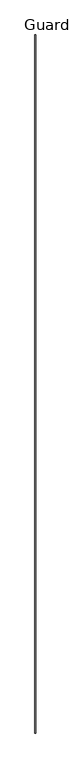
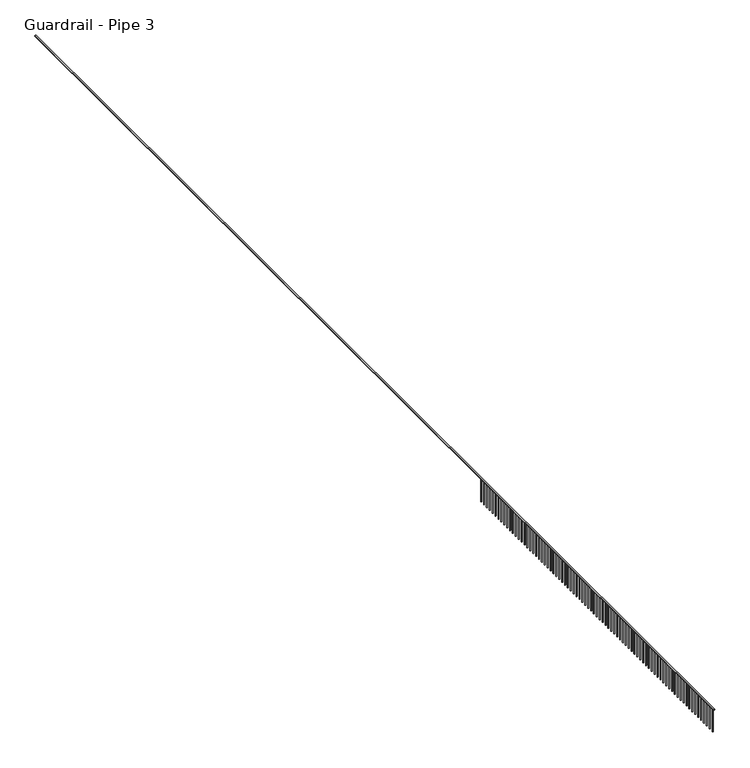
"""IFC4 building model written with IfcOpenShell, lengths in millimetres: railing geometry, Guardrail - Pipe 3."""

from ifc_helpers import new_model, si_unit, point, frame, frame_2d, origin, place, context, project, spatial, circle_curve, trimmed, segment, composite_curve, outline, extrude, source, transform, mapped, element, save


def guardrail_pipe_3_f929ef6f(model_context):
    return source(origin(), model_context, "Body", "SweptSolid", [
        extrude(outline(composite_curve([segment(trimmed(circle_curve(frame_2d((5010.15, 267300.2280266)), 19.05), [point((5010.15, 267319.2780266))], [point((5010.15, 267281.1780266))], False, "CARTESIAN"), True, "CONTINUOUS"), segment(trimmed(circle_curve(frame_2d((5010.15, 267300.2280266)), 19.05), [point((5010.15, 267281.1780266))], [point((5010.15, 267319.2780266))], False, "CARTESIAN"), True, "CONTINUOUS")], self_intersect=False)), frame((0.0, -557110.8424218, 0.0), z_axis=(0.0, 1.0, 0.0), x_axis=(0.0, 0.0, 1.0)), (0.0, 0.0, 1.0), 35737.8),
        extrude(outline(composite_curve([segment(trimmed(circle_curve(frame_2d((267300.2280266, -557034.6424218)), 12.7), [point((267312.9280266, -557034.6424218))], [point((267287.5280266, -557034.6424218))], False, "CARTESIAN"), True, "CONTINUOUS"), segment(trimmed(circle_curve(frame_2d((267300.2280266, -557034.6424218)), 12.7), [point((267287.5280266, -557034.6424218))], [point((267312.9280266, -557034.6424218))], False, "CARTESIAN"), True, "CONTINUOUS")], self_intersect=False)), frame((0.0, 0.0, 4267.2), z_axis=(0.0, 0.0, 1.0), x_axis=(1.0, 0.0, 0.0)), (0.0, 0.0, 1.0), 723.9),
        extrude(outline(composite_curve([segment(trimmed(circle_curve(frame_2d((267300.2280266, -556882.2424218)), 12.7), [point((267312.9280266, -556882.2424218))], [point((267287.5280266, -556882.2424218))], False, "CARTESIAN"), True, "CONTINUOUS"), segment(trimmed(circle_curve(frame_2d((267300.2280266, -556882.2424218)), 12.7), [point((267287.5280266, -556882.2424218))], [point((267312.9280266, -556882.2424218))], False, "CARTESIAN"), True, "CONTINUOUS")], self_intersect=False)), frame((0.0, 0.0, 4267.2), z_axis=(0.0, 0.0, 1.0), x_axis=(1.0, 0.0, 0.0)), (0.0, 0.0, 1.0), 723.9),
        extrude(outline(composite_curve([segment(trimmed(circle_curve(frame_2d((267300.2280266, -556729.8424218)), 12.7), [point((267312.9280266, -556729.8424218))], [point((267287.5280266, -556729.8424218))], False, "CARTESIAN"), True, "CONTINUOUS"), segment(trimmed(circle_curve(frame_2d((267300.2280266, -556729.8424218)), 12.7), [point((267287.5280266, -556729.8424218))], [point((267312.9280266, -556729.8424218))], False, "CARTESIAN"), True, "CONTINUOUS")], self_intersect=False)), frame((0.0, 0.0, 4267.2), z_axis=(0.0, 0.0, 1.0), x_axis=(1.0, 0.0, 0.0)), (0.0, 0.0, 1.0), 723.9),
        extrude(outline(composite_curve([segment(trimmed(circle_curve(frame_2d((267300.2280266, -556577.4424218)), 12.7), [point((267312.9280266, -556577.4424218))], [point((267287.5280266, -556577.4424218))], False, "CARTESIAN"), True, "CONTINUOUS"), segment(trimmed(circle_curve(frame_2d((267300.2280266, -556577.4424218)), 12.7), [point((267287.5280266, -556577.4424218))], [point((267312.9280266, -556577.4424218))], False, "CARTESIAN"), True, "CONTINUOUS")], self_intersect=False)), frame((0.0, 0.0, 4267.2), z_axis=(0.0, 0.0, 1.0), x_axis=(1.0, 0.0, 0.0)), (0.0, 0.0, 1.0), 723.9),
        extrude(outline(composite_curve([segment(trimmed(circle_curve(frame_2d((267300.2280266, -556425.0424218)), 12.7), [point((267312.9280266, -556425.0424218))], [point((267287.5280266, -556425.0424218))], False, "CARTESIAN"), True, "CONTINUOUS"), segment(trimmed(circle_curve(frame_2d((267300.2280266, -556425.0424218)), 12.7), [point((267287.5280266, -556425.0424218))], [point((267312.9280266, -556425.0424218))], False, "CARTESIAN"), True, "CONTINUOUS")], self_intersect=False)), frame((0.0, 0.0, 4267.2), z_axis=(0.0, 0.0, 1.0), x_axis=(1.0, 0.0, 0.0)), (0.0, 0.0, 1.0), 723.9),
        extrude(outline(composite_curve([segment(trimmed(circle_curve(frame_2d((267300.2280266, -556272.6424218)), 12.7), [point((267312.9280266, -556272.6424218))], [point((267287.5280266, -556272.6424218))], False, "CARTESIAN"), True, "CONTINUOUS"), segment(trimmed(circle_curve(frame_2d((267300.2280266, -556272.6424218)), 12.7), [point((267287.5280266, -556272.6424218))], [point((267312.9280266, -556272.6424218))], False, "CARTESIAN"), True, "CONTINUOUS")], self_intersect=False)), frame((0.0, 0.0, 4267.2), z_axis=(0.0, 0.0, 1.0), x_axis=(1.0, 0.0, 0.0)), (0.0, 0.0, 1.0), 723.9),
        extrude(outline(composite_curve([segment(trimmed(circle_curve(frame_2d((267300.2280266, -556120.2424218)), 12.7), [point((267312.9280266, -556120.2424218))], [point((267287.5280266, -556120.2424218))], False, "CARTESIAN"), True, "CONTINUOUS"), segment(trimmed(circle_curve(frame_2d((267300.2280266, -556120.2424218)), 12.7), [point((267287.5280266, -556120.2424218))], [point((267312.9280266, -556120.2424218))], False, "CARTESIAN"), True, "CONTINUOUS")], self_intersect=False)), frame((0.0, 0.0, 4267.2), z_axis=(0.0, 0.0, 1.0), x_axis=(1.0, 0.0, 0.0)), (0.0, 0.0, 1.0), 723.9),
        extrude(outline(composite_curve([segment(trimmed(circle_curve(frame_2d((267300.2280266, -555967.8424218)), 12.7), [point((267312.9280266, -555967.8424218))], [point((267287.5280266, -555967.8424218))], False, "CARTESIAN"), True, "CONTINUOUS"), segment(trimmed(circle_curve(frame_2d((267300.2280266, -555967.8424218)), 12.7), [point((267287.5280266, -555967.8424218))], [point((267312.9280266, -555967.8424218))], False, "CARTESIAN"), True, "CONTINUOUS")], self_intersect=False)), frame((0.0, 0.0, 4267.2), z_axis=(0.0, 0.0, 1.0), x_axis=(1.0, 0.0, 0.0)), (0.0, 0.0, 1.0), 723.9),
        extrude(outline(composite_curve([segment(trimmed(circle_curve(frame_2d((267300.2280266, -555815.4424218)), 12.7), [point((267312.9280266, -555815.4424218))], [point((267287.5280266, -555815.4424218))], False, "CARTESIAN"), True, "CONTINUOUS"), segment(trimmed(circle_curve(frame_2d((267300.2280266, -555815.4424218)), 12.7), [point((267287.5280266, -555815.4424218))], [point((267312.9280266, -555815.4424218))], False, "CARTESIAN"), True, "CONTINUOUS")], self_intersect=False)), frame((0.0, 0.0, 4267.2), z_axis=(0.0, 0.0, 1.0), x_axis=(1.0, 0.0, 0.0)), (0.0, 0.0, 1.0), 723.9),
        extrude(outline(composite_curve([segment(trimmed(circle_curve(frame_2d((267300.2280266, -555663.0424218)), 12.7), [point((267312.9280266, -555663.0424218))], [point((267287.5280266, -555663.0424218))], False, "CARTESIAN"), True, "CONTINUOUS"), segment(trimmed(circle_curve(frame_2d((267300.2280266, -555663.0424218)), 12.7), [point((267287.5280266, -555663.0424218))], [point((267312.9280266, -555663.0424218))], False, "CARTESIAN"), True, "CONTINUOUS")], self_intersect=False)), frame((0.0, 0.0, 4267.2), z_axis=(0.0, 0.0, 1.0), x_axis=(1.0, 0.0, 0.0)), (0.0, 0.0, 1.0), 723.9),
        extrude(outline(composite_curve([segment(trimmed(circle_curve(frame_2d((267300.2280266, -555510.6424218)), 12.7), [point((267312.9280266, -555510.6424218))], [point((267287.5280266, -555510.6424218))], False, "CARTESIAN"), True, "CONTINUOUS"), segment(trimmed(circle_curve(frame_2d((267300.2280266, -555510.6424218)), 12.7), [point((267287.5280266, -555510.6424218))], [point((267312.9280266, -555510.6424218))], False, "CARTESIAN"), True, "CONTINUOUS")], self_intersect=False)), frame((0.0, 0.0, 4267.2), z_axis=(0.0, 0.0, 1.0), x_axis=(1.0, 0.0, 0.0)), (0.0, 0.0, 1.0), 723.9),
        extrude(outline(composite_curve([segment(trimmed(circle_curve(frame_2d((267300.2280266, -555358.2424218)), 12.7), [point((267312.9280266, -555358.2424218))], [point((267287.5280266, -555358.2424218))], False, "CARTESIAN"), True, "CONTINUOUS"), segment(trimmed(circle_curve(frame_2d((267300.2280266, -555358.2424218)), 12.7), [point((267287.5280266, -555358.2424218))], [point((267312.9280266, -555358.2424218))], False, "CARTESIAN"), True, "CONTINUOUS")], self_intersect=False)), frame((0.0, 0.0, 4267.2), z_axis=(0.0, 0.0, 1.0), x_axis=(1.0, 0.0, 0.0)), (0.0, 0.0, 1.0), 723.9),
        extrude(outline(composite_curve([segment(trimmed(circle_curve(frame_2d((267300.2280266, -555205.8424218)), 12.7), [point((267312.9280266, -555205.8424218))], [point((267287.5280266, -555205.8424218))], False, "CARTESIAN"), True, "CONTINUOUS"), segment(trimmed(circle_curve(frame_2d((267300.2280266, -555205.8424218)), 12.7), [point((267287.5280266, -555205.8424218))], [point((267312.9280266, -555205.8424218))], False, "CARTESIAN"), True, "CONTINUOUS")], self_intersect=False)), frame((0.0, 0.0, 4267.2), z_axis=(0.0, 0.0, 1.0), x_axis=(1.0, 0.0, 0.0)), (0.0, 0.0, 1.0), 723.9),
        extrude(outline(composite_curve([segment(trimmed(circle_curve(frame_2d((267300.2280266, -555053.4424218)), 12.7), [point((267312.9280266, -555053.4424218))], [point((267287.5280266, -555053.4424218))], False, "CARTESIAN"), True, "CONTINUOUS"), segment(trimmed(circle_curve(frame_2d((267300.2280266, -555053.4424218)), 12.7), [point((267287.5280266, -555053.4424218))], [point((267312.9280266, -555053.4424218))], False, "CARTESIAN"), True, "CONTINUOUS")], self_intersect=False)), frame((0.0, 0.0, 4267.2), z_axis=(0.0, 0.0, 1.0), x_axis=(1.0, 0.0, 0.0)), (0.0, 0.0, 1.0), 723.9),
        extrude(outline(composite_curve([segment(trimmed(circle_curve(frame_2d((267300.2280266, -554901.0424218)), 12.7), [point((267312.9280266, -554901.0424218))], [point((267287.5280266, -554901.0424218))], False, "CARTESIAN"), True, "CONTINUOUS"), segment(trimmed(circle_curve(frame_2d((267300.2280266, -554901.0424218)), 12.7), [point((267287.5280266, -554901.0424218))], [point((267312.9280266, -554901.0424218))], False, "CARTESIAN"), True, "CONTINUOUS")], self_intersect=False)), frame((0.0, 0.0, 4267.2), z_axis=(0.0, 0.0, 1.0), x_axis=(1.0, 0.0, 0.0)), (0.0, 0.0, 1.0), 723.9),
        extrude(outline(composite_curve([segment(trimmed(circle_curve(frame_2d((267300.2280266, -554748.6424218)), 12.7), [point((267312.9280266, -554748.6424218))], [point((267287.5280266, -554748.6424218))], False, "CARTESIAN"), True, "CONTINUOUS"), segment(trimmed(circle_curve(frame_2d((267300.2280266, -554748.6424218)), 12.7), [point((267287.5280266, -554748.6424218))], [point((267312.9280266, -554748.6424218))], False, "CARTESIAN"), True, "CONTINUOUS")], self_intersect=False)), frame((0.0, 0.0, 4267.2), z_axis=(0.0, 0.0, 1.0), x_axis=(1.0, 0.0, 0.0)), (0.0, 0.0, 1.0), 723.9),
        extrude(outline(composite_curve([segment(trimmed(circle_curve(frame_2d((267300.2280266, -554596.2424218)), 12.7), [point((267312.9280266, -554596.2424218))], [point((267287.5280266, -554596.2424218))], False, "CARTESIAN"), True, "CONTINUOUS"), segment(trimmed(circle_curve(frame_2d((267300.2280266, -554596.2424218)), 12.7), [point((267287.5280266, -554596.2424218))], [point((267312.9280266, -554596.2424218))], False, "CARTESIAN"), True, "CONTINUOUS")], self_intersect=False)), frame((0.0, 0.0, 4267.2), z_axis=(0.0, 0.0, 1.0), x_axis=(1.0, 0.0, 0.0)), (0.0, 0.0, 1.0), 723.9),
        extrude(outline(composite_curve([segment(trimmed(circle_curve(frame_2d((267300.2280266, -554443.8424218)), 12.7), [point((267312.9280266, -554443.8424218))], [point((267287.5280266, -554443.8424218))], False, "CARTESIAN"), True, "CONTINUOUS"), segment(trimmed(circle_curve(frame_2d((267300.2280266, -554443.8424218)), 12.7), [point((267287.5280266, -554443.8424218))], [point((267312.9280266, -554443.8424218))], False, "CARTESIAN"), True, "CONTINUOUS")], self_intersect=False)), frame((0.0, 0.0, 4267.2), z_axis=(0.0, 0.0, 1.0), x_axis=(1.0, 0.0, 0.0)), (0.0, 0.0, 1.0), 723.9),
        extrude(outline(composite_curve([segment(trimmed(circle_curve(frame_2d((267300.2280266, -554291.4424218)), 12.7), [point((267312.9280266, -554291.4424218))], [point((267287.5280266, -554291.4424218))], False, "CARTESIAN"), True, "CONTINUOUS"), segment(trimmed(circle_curve(frame_2d((267300.2280266, -554291.4424218)), 12.7), [point((267287.5280266, -554291.4424218))], [point((267312.9280266, -554291.4424218))], False, "CARTESIAN"), True, "CONTINUOUS")], self_intersect=False)), frame((0.0, 0.0, 4267.2), z_axis=(0.0, 0.0, 1.0), x_axis=(1.0, 0.0, 0.0)), (0.0, 0.0, 1.0), 723.9),
        extrude(outline(composite_curve([segment(trimmed(circle_curve(frame_2d((267300.2280266, -554139.0424218)), 12.7), [point((267312.9280266, -554139.0424218))], [point((267287.5280266, -554139.0424218))], False, "CARTESIAN"), True, "CONTINUOUS"), segment(trimmed(circle_curve(frame_2d((267300.2280266, -554139.0424218)), 12.7), [point((267287.5280266, -554139.0424218))], [point((267312.9280266, -554139.0424218))], False, "CARTESIAN"), True, "CONTINUOUS")], self_intersect=False)), frame((0.0, 0.0, 4267.2), z_axis=(0.0, 0.0, 1.0), x_axis=(1.0, 0.0, 0.0)), (0.0, 0.0, 1.0), 723.9),
        extrude(outline(composite_curve([segment(trimmed(circle_curve(frame_2d((267300.2280266, -553986.6424218)), 12.7), [point((267312.9280266, -553986.6424218))], [point((267287.5280266, -553986.6424218))], False, "CARTESIAN"), True, "CONTINUOUS"), segment(trimmed(circle_curve(frame_2d((267300.2280266, -553986.6424218)), 12.7), [point((267287.5280266, -553986.6424218))], [point((267312.9280266, -553986.6424218))], False, "CARTESIAN"), True, "CONTINUOUS")], self_intersect=False)), frame((0.0, 0.0, 4267.2), z_axis=(0.0, 0.0, 1.0), x_axis=(1.0, 0.0, 0.0)), (0.0, 0.0, 1.0), 723.9),
        extrude(outline(composite_curve([segment(trimmed(circle_curve(frame_2d((267300.2280266, -553834.2424218)), 12.7), [point((267312.9280266, -553834.2424218))], [point((267287.5280266, -553834.2424218))], False, "CARTESIAN"), True, "CONTINUOUS"), segment(trimmed(circle_curve(frame_2d((267300.2280266, -553834.2424218)), 12.7), [point((267287.5280266, -553834.2424218))], [point((267312.9280266, -553834.2424218))], False, "CARTESIAN"), True, "CONTINUOUS")], self_intersect=False)), frame((0.0, 0.0, 4267.2), z_axis=(0.0, 0.0, 1.0), x_axis=(1.0, 0.0, 0.0)), (0.0, 0.0, 1.0), 723.9),
        extrude(outline(composite_curve([segment(trimmed(circle_curve(frame_2d((267300.2280266, -553681.8424218)), 12.7), [point((267312.9280266, -553681.8424218))], [point((267287.5280266, -553681.8424218))], False, "CARTESIAN"), True, "CONTINUOUS"), segment(trimmed(circle_curve(frame_2d((267300.2280266, -553681.8424218)), 12.7), [point((267287.5280266, -553681.8424218))], [point((267312.9280266, -553681.8424218))], False, "CARTESIAN"), True, "CONTINUOUS")], self_intersect=False)), frame((0.0, 0.0, 4267.2), z_axis=(0.0, 0.0, 1.0), x_axis=(1.0, 0.0, 0.0)), (0.0, 0.0, 1.0), 723.9),
        extrude(outline(composite_curve([segment(trimmed(circle_curve(frame_2d((267300.2280266, -553529.4424218)), 12.7), [point((267312.9280266, -553529.4424218))], [point((267287.5280266, -553529.4424218))], False, "CARTESIAN"), True, "CONTINUOUS"), segment(trimmed(circle_curve(frame_2d((267300.2280266, -553529.4424218)), 12.7), [point((267287.5280266, -553529.4424218))], [point((267312.9280266, -553529.4424218))], False, "CARTESIAN"), True, "CONTINUOUS")], self_intersect=False)), frame((0.0, 0.0, 4267.2), z_axis=(0.0, 0.0, 1.0), x_axis=(1.0, 0.0, 0.0)), (0.0, 0.0, 1.0), 723.9),
        extrude(outline(composite_curve([segment(trimmed(circle_curve(frame_2d((267300.2280266, -553377.0424218)), 12.7), [point((267312.9280266, -553377.0424218))], [point((267287.5280266, -553377.0424218))], False, "CARTESIAN"), True, "CONTINUOUS"), segment(trimmed(circle_curve(frame_2d((267300.2280266, -553377.0424218)), 12.7), [point((267287.5280266, -553377.0424218))], [point((267312.9280266, -553377.0424218))], False, "CARTESIAN"), True, "CONTINUOUS")], self_intersect=False)), frame((0.0, 0.0, 4267.2), z_axis=(0.0, 0.0, 1.0), x_axis=(1.0, 0.0, 0.0)), (0.0, 0.0, 1.0), 723.9),
        extrude(outline(composite_curve([segment(trimmed(circle_curve(frame_2d((267300.2280266, -553224.6424218)), 12.7), [point((267312.9280266, -553224.6424218))], [point((267287.5280266, -553224.6424218))], False, "CARTESIAN"), True, "CONTINUOUS"), segment(trimmed(circle_curve(frame_2d((267300.2280266, -553224.6424218)), 12.7), [point((267287.5280266, -553224.6424218))], [point((267312.9280266, -553224.6424218))], False, "CARTESIAN"), True, "CONTINUOUS")], self_intersect=False)), frame((0.0, 0.0, 4267.2), z_axis=(0.0, 0.0, 1.0), x_axis=(1.0, 0.0, 0.0)), (0.0, 0.0, 1.0), 723.9),
        extrude(outline(composite_curve([segment(trimmed(circle_curve(frame_2d((267300.2280266, -553072.2424218)), 12.7), [point((267312.9280266, -553072.2424218))], [point((267287.5280266, -553072.2424218))], False, "CARTESIAN"), True, "CONTINUOUS"), segment(trimmed(circle_curve(frame_2d((267300.2280266, -553072.2424218)), 12.7), [point((267287.5280266, -553072.2424218))], [point((267312.9280266, -553072.2424218))], False, "CARTESIAN"), True, "CONTINUOUS")], self_intersect=False)), frame((0.0, 0.0, 4267.2), z_axis=(0.0, 0.0, 1.0), x_axis=(1.0, 0.0, 0.0)), (0.0, 0.0, 1.0), 723.9),
        extrude(outline(composite_curve([segment(trimmed(circle_curve(frame_2d((267300.2280266, -552919.8424218)), 12.7), [point((267312.9280266, -552919.8424218))], [point((267287.5280266, -552919.8424218))], False, "CARTESIAN"), True, "CONTINUOUS"), segment(trimmed(circle_curve(frame_2d((267300.2280266, -552919.8424218)), 12.7), [point((267287.5280266, -552919.8424218))], [point((267312.9280266, -552919.8424218))], False, "CARTESIAN"), True, "CONTINUOUS")], self_intersect=False)), frame((0.0, 0.0, 4267.2), z_axis=(0.0, 0.0, 1.0), x_axis=(1.0, 0.0, 0.0)), (0.0, 0.0, 1.0), 723.9),
        extrude(outline(composite_curve([segment(trimmed(circle_curve(frame_2d((267300.2280266, -552767.4424218)), 12.7), [point((267312.9280266, -552767.4424218))], [point((267287.5280266, -552767.4424218))], False, "CARTESIAN"), True, "CONTINUOUS"), segment(trimmed(circle_curve(frame_2d((267300.2280266, -552767.4424218)), 12.7), [point((267287.5280266, -552767.4424218))], [point((267312.9280266, -552767.4424218))], False, "CARTESIAN"), True, "CONTINUOUS")], self_intersect=False)), frame((0.0, 0.0, 4267.2), z_axis=(0.0, 0.0, 1.0), x_axis=(1.0, 0.0, 0.0)), (0.0, 0.0, 1.0), 723.9),
        extrude(outline(composite_curve([segment(trimmed(circle_curve(frame_2d((267300.2280266, -552615.0424218)), 12.7), [point((267312.9280266, -552615.0424218))], [point((267287.5280266, -552615.0424218))], False, "CARTESIAN"), True, "CONTINUOUS"), segment(trimmed(circle_curve(frame_2d((267300.2280266, -552615.0424218)), 12.7), [point((267287.5280266, -552615.0424218))], [point((267312.9280266, -552615.0424218))], False, "CARTESIAN"), True, "CONTINUOUS")], self_intersect=False)), frame((0.0, 0.0, 4267.2), z_axis=(0.0, 0.0, 1.0), x_axis=(1.0, 0.0, 0.0)), (0.0, 0.0, 1.0), 723.9),
        extrude(outline(composite_curve([segment(trimmed(circle_curve(frame_2d((267300.2280266, -552462.6424218)), 12.7), [point((267312.9280266, -552462.6424218))], [point((267287.5280266, -552462.6424218))], False, "CARTESIAN"), True, "CONTINUOUS"), segment(trimmed(circle_curve(frame_2d((267300.2280266, -552462.6424218)), 12.7), [point((267287.5280266, -552462.6424218))], [point((267312.9280266, -552462.6424218))], False, "CARTESIAN"), True, "CONTINUOUS")], self_intersect=False)), frame((0.0, 0.0, 4267.2), z_axis=(0.0, 0.0, 1.0), x_axis=(1.0, 0.0, 0.0)), (0.0, 0.0, 1.0), 723.9),
        extrude(outline(composite_curve([segment(trimmed(circle_curve(frame_2d((267300.2280266, -552310.2424218)), 12.7), [point((267312.9280266, -552310.2424218))], [point((267287.5280266, -552310.2424218))], False, "CARTESIAN"), True, "CONTINUOUS"), segment(trimmed(circle_curve(frame_2d((267300.2280266, -552310.2424218)), 12.7), [point((267287.5280266, -552310.2424218))], [point((267312.9280266, -552310.2424218))], False, "CARTESIAN"), True, "CONTINUOUS")], self_intersect=False)), frame((0.0, 0.0, 4267.2), z_axis=(0.0, 0.0, 1.0), x_axis=(1.0, 0.0, 0.0)), (0.0, 0.0, 1.0), 723.9),
        extrude(outline(composite_curve([segment(trimmed(circle_curve(frame_2d((267300.2280266, -552157.8424218)), 12.7), [point((267312.9280266, -552157.8424218))], [point((267287.5280266, -552157.8424218))], False, "CARTESIAN"), True, "CONTINUOUS"), segment(trimmed(circle_curve(frame_2d((267300.2280266, -552157.8424218)), 12.7), [point((267287.5280266, -552157.8424218))], [point((267312.9280266, -552157.8424218))], False, "CARTESIAN"), True, "CONTINUOUS")], self_intersect=False)), frame((0.0, 0.0, 4267.2), z_axis=(0.0, 0.0, 1.0), x_axis=(1.0, 0.0, 0.0)), (0.0, 0.0, 1.0), 723.9),
        extrude(outline(composite_curve([segment(trimmed(circle_curve(frame_2d((267300.2280266, -552005.4424218)), 12.7), [point((267312.9280266, -552005.4424218))], [point((267287.5280266, -552005.4424218))], False, "CARTESIAN"), True, "CONTINUOUS"), segment(trimmed(circle_curve(frame_2d((267300.2280266, -552005.4424218)), 12.7), [point((267287.5280266, -552005.4424218))], [point((267312.9280266, -552005.4424218))], False, "CARTESIAN"), True, "CONTINUOUS")], self_intersect=False)), frame((0.0, 0.0, 4267.2), z_axis=(0.0, 0.0, 1.0), x_axis=(1.0, 0.0, 0.0)), (0.0, 0.0, 1.0), 723.9),
        extrude(outline(composite_curve([segment(trimmed(circle_curve(frame_2d((267300.2280266, -551853.0424218)), 12.7), [point((267312.9280266, -551853.0424218))], [point((267287.5280266, -551853.0424218))], False, "CARTESIAN"), True, "CONTINUOUS"), segment(trimmed(circle_curve(frame_2d((267300.2280266, -551853.0424218)), 12.7), [point((267287.5280266, -551853.0424218))], [point((267312.9280266, -551853.0424218))], False, "CARTESIAN"), True, "CONTINUOUS")], self_intersect=False)), frame((0.0, 0.0, 4267.2), z_axis=(0.0, 0.0, 1.0), x_axis=(1.0, 0.0, 0.0)), (0.0, 0.0, 1.0), 723.9),
        extrude(outline(composite_curve([segment(trimmed(circle_curve(frame_2d((267300.2280266, -551700.6424218)), 12.7), [point((267312.9280266, -551700.6424218))], [point((267287.5280266, -551700.6424218))], False, "CARTESIAN"), True, "CONTINUOUS"), segment(trimmed(circle_curve(frame_2d((267300.2280266, -551700.6424218)), 12.7), [point((267287.5280266, -551700.6424218))], [point((267312.9280266, -551700.6424218))], False, "CARTESIAN"), True, "CONTINUOUS")], self_intersect=False)), frame((0.0, 0.0, 4267.2), z_axis=(0.0, 0.0, 1.0), x_axis=(1.0, 0.0, 0.0)), (0.0, 0.0, 1.0), 723.9),
        extrude(outline(composite_curve([segment(trimmed(circle_curve(frame_2d((267300.2280266, -551548.2424218)), 12.7), [point((267312.9280266, -551548.2424218))], [point((267287.5280266, -551548.2424218))], False, "CARTESIAN"), True, "CONTINUOUS"), segment(trimmed(circle_curve(frame_2d((267300.2280266, -551548.2424218)), 12.7), [point((267287.5280266, -551548.2424218))], [point((267312.9280266, -551548.2424218))], False, "CARTESIAN"), True, "CONTINUOUS")], self_intersect=False)), frame((0.0, 0.0, 4267.2), z_axis=(0.0, 0.0, 1.0), x_axis=(1.0, 0.0, 0.0)), (0.0, 0.0, 1.0), 723.9),
        extrude(outline(composite_curve([segment(trimmed(circle_curve(frame_2d((267300.2280266, -551395.8424218)), 12.7), [point((267312.9280266, -551395.8424218))], [point((267287.5280266, -551395.8424218))], False, "CARTESIAN"), True, "CONTINUOUS"), segment(trimmed(circle_curve(frame_2d((267300.2280266, -551395.8424218)), 12.7), [point((267287.5280266, -551395.8424218))], [point((267312.9280266, -551395.8424218))], False, "CARTESIAN"), True, "CONTINUOUS")], self_intersect=False)), frame((0.0, 0.0, 4267.2), z_axis=(0.0, 0.0, 1.0), x_axis=(1.0, 0.0, 0.0)), (0.0, 0.0, 1.0), 723.9),
        extrude(outline(composite_curve([segment(trimmed(circle_curve(frame_2d((267300.2280266, -551243.4424218)), 12.7), [point((267312.9280266, -551243.4424218))], [point((267287.5280266, -551243.4424218))], False, "CARTESIAN"), True, "CONTINUOUS"), segment(trimmed(circle_curve(frame_2d((267300.2280266, -551243.4424218)), 12.7), [point((267287.5280266, -551243.4424218))], [point((267312.9280266, -551243.4424218))], False, "CARTESIAN"), True, "CONTINUOUS")], self_intersect=False)), frame((0.0, 0.0, 4267.2), z_axis=(0.0, 0.0, 1.0), x_axis=(1.0, 0.0, 0.0)), (0.0, 0.0, 1.0), 723.9),
        extrude(outline(composite_curve([segment(trimmed(circle_curve(frame_2d((267300.2280266, -551091.0424218)), 12.7), [point((267312.9280266, -551091.0424218))], [point((267287.5280266, -551091.0424218))], False, "CARTESIAN"), True, "CONTINUOUS"), segment(trimmed(circle_curve(frame_2d((267300.2280266, -551091.0424218)), 12.7), [point((267287.5280266, -551091.0424218))], [point((267312.9280266, -551091.0424218))], False, "CARTESIAN"), True, "CONTINUOUS")], self_intersect=False)), frame((0.0, 0.0, 4267.2), z_axis=(0.0, 0.0, 1.0), x_axis=(1.0, 0.0, 0.0)), (0.0, 0.0, 1.0), 723.9),
        extrude(outline(composite_curve([segment(trimmed(circle_curve(frame_2d((267300.2280266, -550938.6424218)), 12.7), [point((267312.9280266, -550938.6424218))], [point((267287.5280266, -550938.6424218))], False, "CARTESIAN"), True, "CONTINUOUS"), segment(trimmed(circle_curve(frame_2d((267300.2280266, -550938.6424218)), 12.7), [point((267287.5280266, -550938.6424218))], [point((267312.9280266, -550938.6424218))], False, "CARTESIAN"), True, "CONTINUOUS")], self_intersect=False)), frame((0.0, 0.0, 4267.2), z_axis=(0.0, 0.0, 1.0), x_axis=(1.0, 0.0, 0.0)), (0.0, 0.0, 1.0), 723.9),
        extrude(outline(composite_curve([segment(trimmed(circle_curve(frame_2d((267300.2280266, -550786.2424218)), 12.7), [point((267312.9280266, -550786.2424218))], [point((267287.5280266, -550786.2424218))], False, "CARTESIAN"), True, "CONTINUOUS"), segment(trimmed(circle_curve(frame_2d((267300.2280266, -550786.2424218)), 12.7), [point((267287.5280266, -550786.2424218))], [point((267312.9280266, -550786.2424218))], False, "CARTESIAN"), True, "CONTINUOUS")], self_intersect=False)), frame((0.0, 0.0, 4267.2), z_axis=(0.0, 0.0, 1.0), x_axis=(1.0, 0.0, 0.0)), (0.0, 0.0, 1.0), 723.9),
        extrude(outline(composite_curve([segment(trimmed(circle_curve(frame_2d((267300.2280266, -550633.8424218)), 12.7), [point((267312.9280266, -550633.8424218))], [point((267287.5280266, -550633.8424218))], False, "CARTESIAN"), True, "CONTINUOUS"), segment(trimmed(circle_curve(frame_2d((267300.2280266, -550633.8424218)), 12.7), [point((267287.5280266, -550633.8424218))], [point((267312.9280266, -550633.8424218))], False, "CARTESIAN"), True, "CONTINUOUS")], self_intersect=False)), frame((0.0, 0.0, 4267.2), z_axis=(0.0, 0.0, 1.0), x_axis=(1.0, 0.0, 0.0)), (0.0, 0.0, 1.0), 723.9),
        extrude(outline(composite_curve([segment(trimmed(circle_curve(frame_2d((267300.2280266, -550481.4424218)), 12.7), [point((267312.9280266, -550481.4424218))], [point((267287.5280266, -550481.4424218))], False, "CARTESIAN"), True, "CONTINUOUS"), segment(trimmed(circle_curve(frame_2d((267300.2280266, -550481.4424218)), 12.7), [point((267287.5280266, -550481.4424218))], [point((267312.9280266, -550481.4424218))], False, "CARTESIAN"), True, "CONTINUOUS")], self_intersect=False)), frame((0.0, 0.0, 4267.2), z_axis=(0.0, 0.0, 1.0), x_axis=(1.0, 0.0, 0.0)), (0.0, 0.0, 1.0), 723.9),
        extrude(outline(composite_curve([segment(trimmed(circle_curve(frame_2d((267300.2280266, -550329.0424218)), 12.7), [point((267312.9280266, -550329.0424218))], [point((267287.5280266, -550329.0424218))], False, "CARTESIAN"), True, "CONTINUOUS"), segment(trimmed(circle_curve(frame_2d((267300.2280266, -550329.0424218)), 12.7), [point((267287.5280266, -550329.0424218))], [point((267312.9280266, -550329.0424218))], False, "CARTESIAN"), True, "CONTINUOUS")], self_intersect=False)), frame((0.0, 0.0, 4267.2), z_axis=(0.0, 0.0, 1.0), x_axis=(1.0, 0.0, 0.0)), (0.0, 0.0, 1.0), 723.9),
        extrude(outline(composite_curve([segment(trimmed(circle_curve(frame_2d((267300.2280266, -550176.6424218)), 12.7), [point((267312.9280266, -550176.6424218))], [point((267287.5280266, -550176.6424218))], False, "CARTESIAN"), True, "CONTINUOUS"), segment(trimmed(circle_curve(frame_2d((267300.2280266, -550176.6424218)), 12.7), [point((267287.5280266, -550176.6424218))], [point((267312.9280266, -550176.6424218))], False, "CARTESIAN"), True, "CONTINUOUS")], self_intersect=False)), frame((0.0, 0.0, 4267.2), z_axis=(0.0, 0.0, 1.0), x_axis=(1.0, 0.0, 0.0)), (0.0, 0.0, 1.0), 723.9),
        extrude(outline(composite_curve([segment(trimmed(circle_curve(frame_2d((267300.2280266, -550024.2424218)), 12.7), [point((267312.9280266, -550024.2424218))], [point((267287.5280266, -550024.2424218))], False, "CARTESIAN"), True, "CONTINUOUS"), segment(trimmed(circle_curve(frame_2d((267300.2280266, -550024.2424218)), 12.7), [point((267287.5280266, -550024.2424218))], [point((267312.9280266, -550024.2424218))], False, "CARTESIAN"), True, "CONTINUOUS")], self_intersect=False)), frame((0.0, 0.0, 4267.2), z_axis=(0.0, 0.0, 1.0), x_axis=(1.0, 0.0, 0.0)), (0.0, 0.0, 1.0), 723.9),
        extrude(outline(composite_curve([segment(trimmed(circle_curve(frame_2d((267300.2280266, -549871.8424218)), 12.7), [point((267312.9280266, -549871.8424218))], [point((267287.5280266, -549871.8424218))], False, "CARTESIAN"), True, "CONTINUOUS"), segment(trimmed(circle_curve(frame_2d((267300.2280266, -549871.8424218)), 12.7), [point((267287.5280266, -549871.8424218))], [point((267312.9280266, -549871.8424218))], False, "CARTESIAN"), True, "CONTINUOUS")], self_intersect=False)), frame((0.0, 0.0, 4267.2), z_axis=(0.0, 0.0, 1.0), x_axis=(1.0, 0.0, 0.0)), (0.0, 0.0, 1.0), 723.9),
        extrude(outline(composite_curve([segment(trimmed(circle_curve(frame_2d((267300.2280266, -549719.4424218)), 12.7), [point((267312.9280266, -549719.4424218))], [point((267287.5280266, -549719.4424218))], False, "CARTESIAN"), True, "CONTINUOUS"), segment(trimmed(circle_curve(frame_2d((267300.2280266, -549719.4424218)), 12.7), [point((267287.5280266, -549719.4424218))], [point((267312.9280266, -549719.4424218))], False, "CARTESIAN"), True, "CONTINUOUS")], self_intersect=False)), frame((0.0, 0.0, 4267.2), z_axis=(0.0, 0.0, 1.0), x_axis=(1.0, 0.0, 0.0)), (0.0, 0.0, 1.0), 723.9),
        extrude(outline(composite_curve([segment(trimmed(circle_curve(frame_2d((267300.2280266, -549567.0424218)), 12.7), [point((267312.9280266, -549567.0424218))], [point((267287.5280266, -549567.0424218))], False, "CARTESIAN"), True, "CONTINUOUS"), segment(trimmed(circle_curve(frame_2d((267300.2280266, -549567.0424218)), 12.7), [point((267287.5280266, -549567.0424218))], [point((267312.9280266, -549567.0424218))], False, "CARTESIAN"), True, "CONTINUOUS")], self_intersect=False)), frame((0.0, 0.0, 4267.2), z_axis=(0.0, 0.0, 1.0), x_axis=(1.0, 0.0, 0.0)), (0.0, 0.0, 1.0), 723.9),
        extrude(outline(composite_curve([segment(trimmed(circle_curve(frame_2d((267300.2280266, -549414.6424218)), 12.7), [point((267312.9280266, -549414.6424218))], [point((267287.5280266, -549414.6424218))], False, "CARTESIAN"), True, "CONTINUOUS"), segment(trimmed(circle_curve(frame_2d((267300.2280266, -549414.6424218)), 12.7), [point((267287.5280266, -549414.6424218))], [point((267312.9280266, -549414.6424218))], False, "CARTESIAN"), True, "CONTINUOUS")], self_intersect=False)), frame((0.0, 0.0, 4267.2), z_axis=(0.0, 0.0, 1.0), x_axis=(1.0, 0.0, 0.0)), (0.0, 0.0, 1.0), 723.9),
        extrude(outline(composite_curve([segment(trimmed(circle_curve(frame_2d((267300.2280266, -549262.2424218)), 12.7), [point((267312.9280266, -549262.2424218))], [point((267287.5280266, -549262.2424218))], False, "CARTESIAN"), True, "CONTINUOUS"), segment(trimmed(circle_curve(frame_2d((267300.2280266, -549262.2424218)), 12.7), [point((267287.5280266, -549262.2424218))], [point((267312.9280266, -549262.2424218))], False, "CARTESIAN"), True, "CONTINUOUS")], self_intersect=False)), frame((0.0, 0.0, 4267.2), z_axis=(0.0, 0.0, 1.0), x_axis=(1.0, 0.0, 0.0)), (0.0, 0.0, 1.0), 723.9),
        extrude(outline(composite_curve([segment(trimmed(circle_curve(frame_2d((267300.2280266, -549109.8424218)), 12.7), [point((267312.9280266, -549109.8424218))], [point((267287.5280266, -549109.8424218))], False, "CARTESIAN"), True, "CONTINUOUS"), segment(trimmed(circle_curve(frame_2d((267300.2280266, -549109.8424218)), 12.7), [point((267287.5280266, -549109.8424218))], [point((267312.9280266, -549109.8424218))], False, "CARTESIAN"), True, "CONTINUOUS")], self_intersect=False)), frame((0.0, 0.0, 4267.2), z_axis=(0.0, 0.0, 1.0), x_axis=(1.0, 0.0, 0.0)), (0.0, 0.0, 1.0), 723.9),
        extrude(outline(composite_curve([segment(trimmed(circle_curve(frame_2d((267300.2280266, -548957.4424218)), 12.7), [point((267312.9280266, -548957.4424218))], [point((267287.5280266, -548957.4424218))], False, "CARTESIAN"), True, "CONTINUOUS"), segment(trimmed(circle_curve(frame_2d((267300.2280266, -548957.4424218)), 12.7), [point((267287.5280266, -548957.4424218))], [point((267312.9280266, -548957.4424218))], False, "CARTESIAN"), True, "CONTINUOUS")], self_intersect=False)), frame((0.0, 0.0, 4267.2), z_axis=(0.0, 0.0, 1.0), x_axis=(1.0, 0.0, 0.0)), (0.0, 0.0, 1.0), 723.9),
        extrude(outline(composite_curve([segment(trimmed(circle_curve(frame_2d((267300.2280266, -548805.0424218)), 12.7), [point((267312.9280266, -548805.0424218))], [point((267287.5280266, -548805.0424218))], False, "CARTESIAN"), True, "CONTINUOUS"), segment(trimmed(circle_curve(frame_2d((267300.2280266, -548805.0424218)), 12.7), [point((267287.5280266, -548805.0424218))], [point((267312.9280266, -548805.0424218))], False, "CARTESIAN"), True, "CONTINUOUS")], self_intersect=False)), frame((0.0, 0.0, 4267.2), z_axis=(0.0, 0.0, 1.0), x_axis=(1.0, 0.0, 0.0)), (0.0, 0.0, 1.0), 723.9),
        extrude(outline(composite_curve([segment(trimmed(circle_curve(frame_2d((267300.2280266, -548652.6424218)), 12.7), [point((267312.9280266, -548652.6424218))], [point((267287.5280266, -548652.6424218))], False, "CARTESIAN"), True, "CONTINUOUS"), segment(trimmed(circle_curve(frame_2d((267300.2280266, -548652.6424218)), 12.7), [point((267287.5280266, -548652.6424218))], [point((267312.9280266, -548652.6424218))], False, "CARTESIAN"), True, "CONTINUOUS")], self_intersect=False)), frame((0.0, 0.0, 4267.2), z_axis=(0.0, 0.0, 1.0), x_axis=(1.0, 0.0, 0.0)), (0.0, 0.0, 1.0), 723.9),
        extrude(outline(composite_curve([segment(trimmed(circle_curve(frame_2d((267300.2280266, -548500.2424218)), 12.7), [point((267312.9280266, -548500.2424218))], [point((267287.5280266, -548500.2424218))], False, "CARTESIAN"), True, "CONTINUOUS"), segment(trimmed(circle_curve(frame_2d((267300.2280266, -548500.2424218)), 12.7), [point((267287.5280266, -548500.2424218))], [point((267312.9280266, -548500.2424218))], False, "CARTESIAN"), True, "CONTINUOUS")], self_intersect=False)), frame((0.0, 0.0, 4267.2), z_axis=(0.0, 0.0, 1.0), x_axis=(1.0, 0.0, 0.0)), (0.0, 0.0, 1.0), 723.9),
        extrude(outline(composite_curve([segment(trimmed(circle_curve(frame_2d((267300.2280266, -548347.8424218)), 12.7), [point((267312.9280266, -548347.8424218))], [point((267287.5280266, -548347.8424218))], False, "CARTESIAN"), True, "CONTINUOUS"), segment(trimmed(circle_curve(frame_2d((267300.2280266, -548347.8424218)), 12.7), [point((267287.5280266, -548347.8424218))], [point((267312.9280266, -548347.8424218))], False, "CARTESIAN"), True, "CONTINUOUS")], self_intersect=False)), frame((0.0, 0.0, 4267.2), z_axis=(0.0, 0.0, 1.0), x_axis=(1.0, 0.0, 0.0)), (0.0, 0.0, 1.0), 723.9),
        extrude(outline(composite_curve([segment(trimmed(circle_curve(frame_2d((267300.2280266, -548195.4424218)), 12.7), [point((267312.9280266, -548195.4424218))], [point((267287.5280266, -548195.4424218))], False, "CARTESIAN"), True, "CONTINUOUS"), segment(trimmed(circle_curve(frame_2d((267300.2280266, -548195.4424218)), 12.7), [point((267287.5280266, -548195.4424218))], [point((267312.9280266, -548195.4424218))], False, "CARTESIAN"), True, "CONTINUOUS")], self_intersect=False)), frame((0.0, 0.0, 4267.2), z_axis=(0.0, 0.0, 1.0), x_axis=(1.0, 0.0, 0.0)), (0.0, 0.0, 1.0), 723.9),
        extrude(outline(composite_curve([segment(trimmed(circle_curve(frame_2d((267300.2280266, -548043.0424218)), 12.7), [point((267312.9280266, -548043.0424218))], [point((267287.5280266, -548043.0424218))], False, "CARTESIAN"), True, "CONTINUOUS"), segment(trimmed(circle_curve(frame_2d((267300.2280266, -548043.0424218)), 12.7), [point((267287.5280266, -548043.0424218))], [point((267312.9280266, -548043.0424218))], False, "CARTESIAN"), True, "CONTINUOUS")], self_intersect=False)), frame((0.0, 0.0, 4267.2), z_axis=(0.0, 0.0, 1.0), x_axis=(1.0, 0.0, 0.0)), (0.0, 0.0, 1.0), 723.9),
        extrude(outline(composite_curve([segment(trimmed(circle_curve(frame_2d((267300.2280266, -547890.6424218)), 12.7), [point((267312.9280266, -547890.6424218))], [point((267287.5280266, -547890.6424218))], False, "CARTESIAN"), True, "CONTINUOUS"), segment(trimmed(circle_curve(frame_2d((267300.2280266, -547890.6424218)), 12.7), [point((267287.5280266, -547890.6424218))], [point((267312.9280266, -547890.6424218))], False, "CARTESIAN"), True, "CONTINUOUS")], self_intersect=False)), frame((0.0, 0.0, 4267.2), z_axis=(0.0, 0.0, 1.0), x_axis=(1.0, 0.0, 0.0)), (0.0, 0.0, 1.0), 723.9),
        extrude(outline(composite_curve([segment(trimmed(circle_curve(frame_2d((267300.2280266, -547738.2424218)), 12.7), [point((267312.9280266, -547738.2424218))], [point((267287.5280266, -547738.2424218))], False, "CARTESIAN"), True, "CONTINUOUS"), segment(trimmed(circle_curve(frame_2d((267300.2280266, -547738.2424218)), 12.7), [point((267287.5280266, -547738.2424218))], [point((267312.9280266, -547738.2424218))], False, "CARTESIAN"), True, "CONTINUOUS")], self_intersect=False)), frame((0.0, 0.0, 4267.2), z_axis=(0.0, 0.0, 1.0), x_axis=(1.0, 0.0, 0.0)), (0.0, 0.0, 1.0), 723.9),
        extrude(outline(composite_curve([segment(trimmed(circle_curve(frame_2d((267300.2280266, -547585.8424218)), 12.7), [point((267312.9280266, -547585.8424218))], [point((267287.5280266, -547585.8424218))], False, "CARTESIAN"), True, "CONTINUOUS"), segment(trimmed(circle_curve(frame_2d((267300.2280266, -547585.8424218)), 12.7), [point((267287.5280266, -547585.8424218))], [point((267312.9280266, -547585.8424218))], False, "CARTESIAN"), True, "CONTINUOUS")], self_intersect=False)), frame((0.0, 0.0, 4267.2), z_axis=(0.0, 0.0, 1.0), x_axis=(1.0, 0.0, 0.0)), (0.0, 0.0, 1.0), 723.9),
        extrude(outline(composite_curve([segment(trimmed(circle_curve(frame_2d((267300.2280266, -547433.4424218)), 12.7), [point((267312.9280266, -547433.4424218))], [point((267287.5280266, -547433.4424218))], False, "CARTESIAN"), True, "CONTINUOUS"), segment(trimmed(circle_curve(frame_2d((267300.2280266, -547433.4424218)), 12.7), [point((267287.5280266, -547433.4424218))], [point((267312.9280266, -547433.4424218))], False, "CARTESIAN"), True, "CONTINUOUS")], self_intersect=False)), frame((0.0, 0.0, 4267.2), z_axis=(0.0, 0.0, 1.0), x_axis=(1.0, 0.0, 0.0)), (0.0, 0.0, 1.0), 723.9),
        extrude(outline(composite_curve([segment(trimmed(circle_curve(frame_2d((267300.2280266, -547281.0424218)), 12.7), [point((267312.9280266, -547281.0424218))], [point((267287.5280266, -547281.0424218))], False, "CARTESIAN"), True, "CONTINUOUS"), segment(trimmed(circle_curve(frame_2d((267300.2280266, -547281.0424218)), 12.7), [point((267287.5280266, -547281.0424218))], [point((267312.9280266, -547281.0424218))], False, "CARTESIAN"), True, "CONTINUOUS")], self_intersect=False)), frame((0.0, 0.0, 4267.2), z_axis=(0.0, 0.0, 1.0), x_axis=(1.0, 0.0, 0.0)), (0.0, 0.0, 1.0), 723.9),
        extrude(outline(composite_curve([segment(trimmed(circle_curve(frame_2d((267300.2280266, -547128.6424218)), 12.7), [point((267312.9280266, -547128.6424218))], [point((267287.5280266, -547128.6424218))], False, "CARTESIAN"), True, "CONTINUOUS"), segment(trimmed(circle_curve(frame_2d((267300.2280266, -547128.6424218)), 12.7), [point((267287.5280266, -547128.6424218))], [point((267312.9280266, -547128.6424218))], False, "CARTESIAN"), True, "CONTINUOUS")], self_intersect=False)), frame((0.0, 0.0, 4267.2), z_axis=(0.0, 0.0, 1.0), x_axis=(1.0, 0.0, 0.0)), (0.0, 0.0, 1.0), 723.9),
        extrude(outline(composite_curve([segment(trimmed(circle_curve(frame_2d((267300.2280266, -546976.2424218)), 12.7), [point((267312.9280266, -546976.2424218))], [point((267287.5280266, -546976.2424218))], False, "CARTESIAN"), True, "CONTINUOUS"), segment(trimmed(circle_curve(frame_2d((267300.2280266, -546976.2424218)), 12.7), [point((267287.5280266, -546976.2424218))], [point((267312.9280266, -546976.2424218))], False, "CARTESIAN"), True, "CONTINUOUS")], self_intersect=False)), frame((0.0, 0.0, 4267.2), z_axis=(0.0, 0.0, 1.0), x_axis=(1.0, 0.0, 0.0)), (0.0, 0.0, 1.0), 723.9),
        extrude(outline(composite_curve([segment(trimmed(circle_curve(frame_2d((267300.2280266, -546823.8424218)), 12.7), [point((267312.9280266, -546823.8424218))], [point((267287.5280266, -546823.8424218))], False, "CARTESIAN"), True, "CONTINUOUS"), segment(trimmed(circle_curve(frame_2d((267300.2280266, -546823.8424218)), 12.7), [point((267287.5280266, -546823.8424218))], [point((267312.9280266, -546823.8424218))], False, "CARTESIAN"), True, "CONTINUOUS")], self_intersect=False)), frame((0.0, 0.0, 4267.2), z_axis=(0.0, 0.0, 1.0), x_axis=(1.0, 0.0, 0.0)), (0.0, 0.0, 1.0), 723.9),
        extrude(outline(composite_curve([segment(trimmed(circle_curve(frame_2d((267300.2280266, -546671.4424218)), 12.7), [point((267312.9280266, -546671.4424218))], [point((267287.5280266, -546671.4424218))], False, "CARTESIAN"), True, "CONTINUOUS"), segment(trimmed(circle_curve(frame_2d((267300.2280266, -546671.4424218)), 12.7), [point((267287.5280266, -546671.4424218))], [point((267312.9280266, -546671.4424218))], False, "CARTESIAN"), True, "CONTINUOUS")], self_intersect=False)), frame((0.0, 0.0, 4267.2), z_axis=(0.0, 0.0, 1.0), x_axis=(1.0, 0.0, 0.0)), (0.0, 0.0, 1.0), 723.9),
        extrude(outline(composite_curve([segment(trimmed(circle_curve(frame_2d((267300.2280266, -546519.0424218)), 12.7), [point((267312.9280266, -546519.0424218))], [point((267287.5280266, -546519.0424218))], False, "CARTESIAN"), True, "CONTINUOUS"), segment(trimmed(circle_curve(frame_2d((267300.2280266, -546519.0424218)), 12.7), [point((267287.5280266, -546519.0424218))], [point((267312.9280266, -546519.0424218))], False, "CARTESIAN"), True, "CONTINUOUS")], self_intersect=False)), frame((0.0, 0.0, 4267.2), z_axis=(0.0, 0.0, 1.0), x_axis=(1.0, 0.0, 0.0)), (0.0, 0.0, 1.0), 723.9),
        extrude(outline(composite_curve([segment(trimmed(circle_curve(frame_2d((267300.2280266, -546366.6424218)), 12.7), [point((267312.9280266, -546366.6424218))], [point((267287.5280266, -546366.6424218))], False, "CARTESIAN"), True, "CONTINUOUS"), segment(trimmed(circle_curve(frame_2d((267300.2280266, -546366.6424218)), 12.7), [point((267287.5280266, -546366.6424218))], [point((267312.9280266, -546366.6424218))], False, "CARTESIAN"), True, "CONTINUOUS")], self_intersect=False)), frame((0.0, 0.0, 4267.2), z_axis=(0.0, 0.0, 1.0), x_axis=(1.0, 0.0, 0.0)), (0.0, 0.0, 1.0), 723.9),
        extrude(outline(composite_curve([segment(trimmed(circle_curve(frame_2d((267300.2280266, -546214.2424218)), 12.7), [point((267312.9280266, -546214.2424218))], [point((267287.5280266, -546214.2424218))], False, "CARTESIAN"), True, "CONTINUOUS"), segment(trimmed(circle_curve(frame_2d((267300.2280266, -546214.2424218)), 12.7), [point((267287.5280266, -546214.2424218))], [point((267312.9280266, -546214.2424218))], False, "CARTESIAN"), True, "CONTINUOUS")], self_intersect=False)), frame((0.0, 0.0, 4267.2), z_axis=(0.0, 0.0, 1.0), x_axis=(1.0, 0.0, 0.0)), (0.0, 0.0, 1.0), 723.9),
        extrude(outline(composite_curve([segment(trimmed(circle_curve(frame_2d((267300.2280266, -546061.8424218)), 12.7), [point((267312.9280266, -546061.8424218))], [point((267287.5280266, -546061.8424218))], False, "CARTESIAN"), True, "CONTINUOUS"), segment(trimmed(circle_curve(frame_2d((267300.2280266, -546061.8424218)), 12.7), [point((267287.5280266, -546061.8424218))], [point((267312.9280266, -546061.8424218))], False, "CARTESIAN"), True, "CONTINUOUS")], self_intersect=False)), frame((0.0, 0.0, 4267.2), z_axis=(0.0, 0.0, 1.0), x_axis=(1.0, 0.0, 0.0)), (0.0, 0.0, 1.0), 723.9),
        extrude(outline(composite_curve([segment(trimmed(circle_curve(frame_2d((267300.2280266, -545909.4424218)), 12.7), [point((267312.9280266, -545909.4424218))], [point((267287.5280266, -545909.4424218))], False, "CARTESIAN"), True, "CONTINUOUS"), segment(trimmed(circle_curve(frame_2d((267300.2280266, -545909.4424218)), 12.7), [point((267287.5280266, -545909.4424218))], [point((267312.9280266, -545909.4424218))], False, "CARTESIAN"), True, "CONTINUOUS")], self_intersect=False)), frame((0.0, 0.0, 4267.2), z_axis=(0.0, 0.0, 1.0), x_axis=(1.0, 0.0, 0.0)), (0.0, 0.0, 1.0), 723.9),
        extrude(outline(composite_curve([segment(trimmed(circle_curve(frame_2d((267300.2280266, -545757.0424218)), 12.7), [point((267312.9280266, -545757.0424218))], [point((267287.5280266, -545757.0424218))], False, "CARTESIAN"), True, "CONTINUOUS"), segment(trimmed(circle_curve(frame_2d((267300.2280266, -545757.0424218)), 12.7), [point((267287.5280266, -545757.0424218))], [point((267312.9280266, -545757.0424218))], False, "CARTESIAN"), True, "CONTINUOUS")], self_intersect=False)), frame((0.0, 0.0, 4267.2), z_axis=(0.0, 0.0, 1.0), x_axis=(1.0, 0.0, 0.0)), (0.0, 0.0, 1.0), 723.9),
        extrude(outline(composite_curve([segment(trimmed(circle_curve(frame_2d((267300.2280266, -545604.6424218)), 12.7), [point((267312.9280266, -545604.6424218))], [point((267287.5280266, -545604.6424218))], False, "CARTESIAN"), True, "CONTINUOUS"), segment(trimmed(circle_curve(frame_2d((267300.2280266, -545604.6424218)), 12.7), [point((267287.5280266, -545604.6424218))], [point((267312.9280266, -545604.6424218))], False, "CARTESIAN"), True, "CONTINUOUS")], self_intersect=False)), frame((0.0, 0.0, 4267.2), z_axis=(0.0, 0.0, 1.0), x_axis=(1.0, 0.0, 0.0)), (0.0, 0.0, 1.0), 723.9),
        extrude(outline(composite_curve([segment(trimmed(circle_curve(frame_2d((267300.2280266, -545452.2424218)), 12.7), [point((267312.9280266, -545452.2424218))], [point((267287.5280266, -545452.2424218))], False, "CARTESIAN"), True, "CONTINUOUS"), segment(trimmed(circle_curve(frame_2d((267300.2280266, -545452.2424218)), 12.7), [point((267287.5280266, -545452.2424218))], [point((267312.9280266, -545452.2424218))], False, "CARTESIAN"), True, "CONTINUOUS")], self_intersect=False)), frame((0.0, 0.0, 4267.2), z_axis=(0.0, 0.0, 1.0), x_axis=(1.0, 0.0, 0.0)), (0.0, 0.0, 1.0), 723.9),
        extrude(outline(composite_curve([segment(trimmed(circle_curve(frame_2d((267300.2280266, -545299.8424218)), 12.7), [point((267312.9280266, -545299.8424218))], [point((267287.5280266, -545299.8424218))], False, "CARTESIAN"), True, "CONTINUOUS"), segment(trimmed(circle_curve(frame_2d((267300.2280266, -545299.8424218)), 12.7), [point((267287.5280266, -545299.8424218))], [point((267312.9280266, -545299.8424218))], False, "CARTESIAN"), True, "CONTINUOUS")], self_intersect=False)), frame((0.0, 0.0, 4267.2), z_axis=(0.0, 0.0, 1.0), x_axis=(1.0, 0.0, 0.0)), (0.0, 0.0, 1.0), 723.9),
        extrude(outline(composite_curve([segment(trimmed(circle_curve(frame_2d((267300.2280266, -545147.4424218)), 12.7), [point((267312.9280266, -545147.4424218))], [point((267287.5280266, -545147.4424218))], False, "CARTESIAN"), True, "CONTINUOUS"), segment(trimmed(circle_curve(frame_2d((267300.2280266, -545147.4424218)), 12.7), [point((267287.5280266, -545147.4424218))], [point((267312.9280266, -545147.4424218))], False, "CARTESIAN"), True, "CONTINUOUS")], self_intersect=False)), frame((0.0, 0.0, 4267.2), z_axis=(0.0, 0.0, 1.0), x_axis=(1.0, 0.0, 0.0)), (0.0, 0.0, 1.0), 723.9),
        extrude(outline(composite_curve([segment(trimmed(circle_curve(frame_2d((267300.2280266, -544995.0424218)), 12.7), [point((267312.9280266, -544995.0424218))], [point((267287.5280266, -544995.0424218))], False, "CARTESIAN"), True, "CONTINUOUS"), segment(trimmed(circle_curve(frame_2d((267300.2280266, -544995.0424218)), 12.7), [point((267287.5280266, -544995.0424218))], [point((267312.9280266, -544995.0424218))], False, "CARTESIAN"), True, "CONTINUOUS")], self_intersect=False)), frame((0.0, 0.0, 4267.2), z_axis=(0.0, 0.0, 1.0), x_axis=(1.0, 0.0, 0.0)), (0.0, 0.0, 1.0), 723.9),
        extrude(outline(composite_curve([segment(trimmed(circle_curve(frame_2d((267300.2280266, -544842.6424218)), 12.7), [point((267312.9280266, -544842.6424218))], [point((267287.5280266, -544842.6424218))], False, "CARTESIAN"), True, "CONTINUOUS"), segment(trimmed(circle_curve(frame_2d((267300.2280266, -544842.6424218)), 12.7), [point((267287.5280266, -544842.6424218))], [point((267312.9280266, -544842.6424218))], False, "CARTESIAN"), True, "CONTINUOUS")], self_intersect=False)), frame((0.0, 0.0, 4267.2), z_axis=(0.0, 0.0, 1.0), x_axis=(1.0, 0.0, 0.0)), (0.0, 0.0, 1.0), 723.9),
    ])


if __name__ == "__main__":
    model = new_model("IFC4")
    model_context = context("Model", 3, world=origin())
    ifc_project = project(units=[si_unit("LENGTHUNIT", "METRE", prefix="MILLI")], contexts=[model_context])
    site = spatial("IfcSite", under=ifc_project)
    building = spatial("IfcBuilding", under=site)
    placement = place(None, origin())
    guardrail_pipe_3_shape = guardrail_pipe_3_f929ef6f(model_context)
    element("IfcRailing", 1, ObjectType="Guardrail - Pipe 3", at=placement, inside=building, context=model_context, shape_type="MappedRepresentation", body=[
        mapped(guardrail_pipe_3_shape, transform((0.0, 0.0, 0.0), x_axis=(1.0, 0.0, 0.0), y_axis=(0.0, 1.0, 0.0), z_axis=(0.0, 0.0, 1.0))),
    ])
    save(model, "model.ifc")
